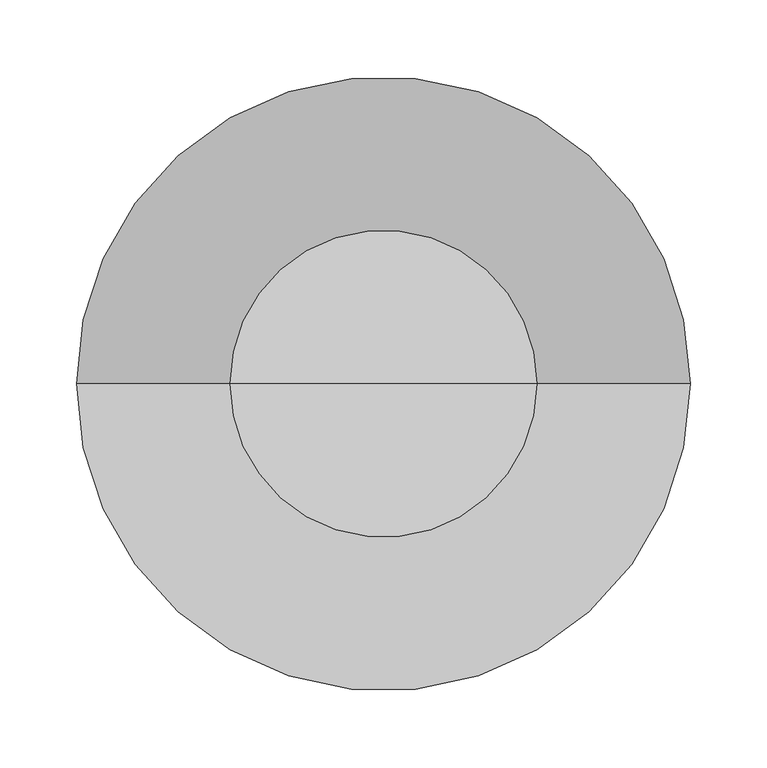
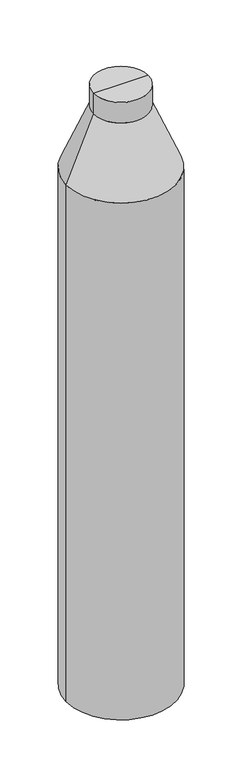
"""IFC4 building model written with IfcOpenShell, lengths in millimetres: column geometry."""

from ifc_helpers import new_model, si_unit, frame, origin, place, context, project, spatial, polyline, circle_curve, source, transform, mapped, element, save
from ifc_brep_helpers import plane_surface, cylinder_surface, revolved_surface, advanced_brep


def column_2d245055(model_context):
    return source(origin(), model_context, "Body", "AdvancedBrep", [
        advanced_brep(
        [(-200.0, 0.0, -599.125), (-200.0, 0.0, -2599.125), (200.0, 0.0, -2599.125), (200.0, 0.0, -599.125), (0.0, 0.0, -2599.125), (-100.0, 0.0, -359.125), (100.0, 0.0, -359.125), (-100.0, 0.0, -279.125), (100.0, 0.0, -279.125), (0.0, 0.0, -279.125)],
        [
            (0, 1),
            (1, 2, circle_curve(frame((0.0, 0.0, -2599.125), z_axis=(0.0, 0.0, 1.0), x_axis=(1.0, 0.0, 0.0)), 200.0)),
            (2, 3),
            (3, 0, circle_curve(frame((0.0, 0.0, -599.125), z_axis=(0.0, 0.0, -1.0), x_axis=(1.0, 0.0, 0.0)), 200.0)),
            (1, 4),
            (4, 2),
            (1, 2, circle_curve(frame((0.0, 0.0, -2599.125), z_axis=(0.0, 0.0, -1.0), x_axis=(1.0, 0.0, 0.0)), 200.0)),
            (0, 3, circle_curve(frame((0.0, 0.0, -599.125), z_axis=(0.0, 0.0, -1.0), x_axis=(1.0, 0.0, 0.0)), 200.0)),
            (5, 0),
            (3, 6),
            (6, 5, circle_curve(frame((0.0, 0.0, -359.125), z_axis=(0.0, 0.0, -1.0), x_axis=(1.0, 0.0, 0.0)), 100.0)),
            (5, 6, circle_curve(frame((0.0, 0.0, -359.125), z_axis=(0.0, 0.0, -1.0), x_axis=(1.0, 0.0, 0.0)), 100.0)),
            (7, 5),
            (6, 8),
            (8, 7, circle_curve(frame((0.0, 0.0, -279.125), z_axis=(0.0, 0.0, -1.0), x_axis=(1.0, 0.0, 0.0)), 100.0)),
            (7, 8, circle_curve(frame((0.0, 0.0, -279.125), z_axis=(0.0, 0.0, -1.0), x_axis=(1.0, 0.0, 0.0)), 100.0)),
            (9, 7),
            (8, 9),
        ],
        [
            cylinder_surface(frame((0.0, 0.0, -637.8940014), z_axis=(0.0, 0.0, 1.0), x_axis=(1.0, 0.0, 0.0)), 200.0),
            plane_surface(frame((0.0, 0.0, -2599.125), z_axis=(0.0, 0.0, -1.0), x_axis=(1.0, 0.0, 0.0))),
            revolved_surface(polyline([(200.0, 0.0, -599.125), (100.0, 0.0, -359.125)]), (0.0, 0.0, -637.8940014), (0.0, 0.0, 1.0)),
            cylinder_surface(frame((0.0, 0.0, -637.8940014), z_axis=(0.0, 0.0, 1.0), x_axis=(1.0, 0.0, 0.0)), 100.0),
            plane_surface(frame((0.0, 0.0, -279.125), z_axis=(0.0, 0.0, 1.0), x_axis=(1.0, 0.0, 0.0))),
        ],
        [
            (0, [[1, 2, 3, 4]]),
            (1, [[5, 6, -2]]),
            (1, [[-6, -5, 7]]),
            (0, [[-3, -7, -1, 8]]),
            (2, [[9, -4, 10, 11]]),
            (2, [[-10, -8, -9, 12]]),
            (3, [[13, -11, 14, 15]]),
            (3, [[-14, -12, -13, 16]]),
            (4, [[17, -15, 18]]),
            (4, [[-18, -16, -17]]),
        ],
    ),
    ])


if __name__ == "__main__":
    model = new_model("IFC4")
    model_context = context("Model", 3, world=origin())
    ifc_project = project(units=[si_unit("LENGTHUNIT", "METRE", prefix="MILLI")], contexts=[model_context])
    site = spatial("IfcSite", under=ifc_project)
    building = spatial("IfcBuilding", under=site)
    placement = place(None, origin())
    column_shape = column_2d245055(model_context)
    element("IfcColumn", 1, at=placement, inside=building, context=model_context, shape_type="MappedRepresentation", body=[
        mapped(column_shape, transform((0.0, 0.0, 0.0), x_axis=(1.0, 0.0, 0.0), y_axis=(0.0, 1.0, 0.0), z_axis=(0.0, 0.0, 1.0))),
    ])
    save(model, "model.ifc")
